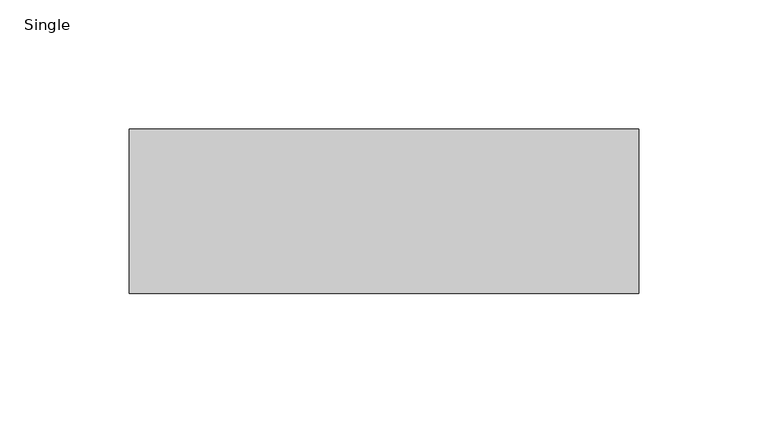
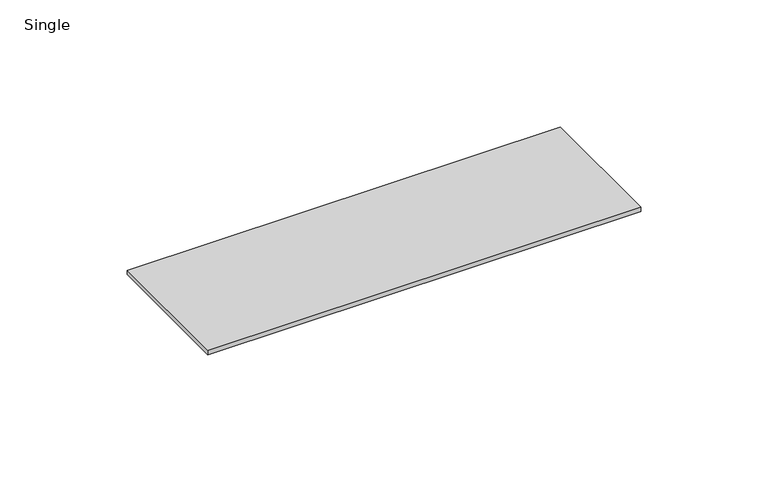
"""IFC4 building model written with IfcOpenShell, lengths in millimetres: furniture geometry, Single."""

from ifc_helpers import new_model, si_unit, frame, origin, place, context, project, spatial, polyline, outline, extrude, source, transform, mapped, element, save


def single_308a6a0c(model_context):
    return source(origin(), model_context, "Body", "SweptSolid", [
        extrude(outline(polyline([(-657.9585985, 177.7226437), (-461.1085985, 177.7226437), (-461.1085985, 114.2226437), (-657.9585985, 114.2226437), (-657.9585985, 177.7226437)])), frame((0.0, 0.0, 704.9262), z_axis=(0.0, 0.0, 1.0), x_axis=(1.0, 0.0, 0.0)), (0.0, 0.0, 1.0), 2.0828),
    ])


if __name__ == "__main__":
    model = new_model("IFC4")
    model_context = context("Model", 3, world=origin())
    ifc_project = project(units=[si_unit("LENGTHUNIT", "METRE", prefix="MILLI")], contexts=[model_context])
    site = spatial("IfcSite", under=ifc_project)
    building = spatial("IfcBuilding", under=site)
    placement = place(None, origin())
    single_shape = single_308a6a0c(model_context)
    element("IfcFurniture", 1, ObjectType="Single", at=placement, inside=building, context=model_context, shape_type="MappedRepresentation", body=[
        mapped(single_shape, transform((0.0, 0.0, 0.0), x_axis=(1.0, 0.0, 0.0), y_axis=(0.0, 1.0, 0.0), z_axis=(0.0, 0.0, 1.0))),
    ])
    save(model, "model.ifc")
